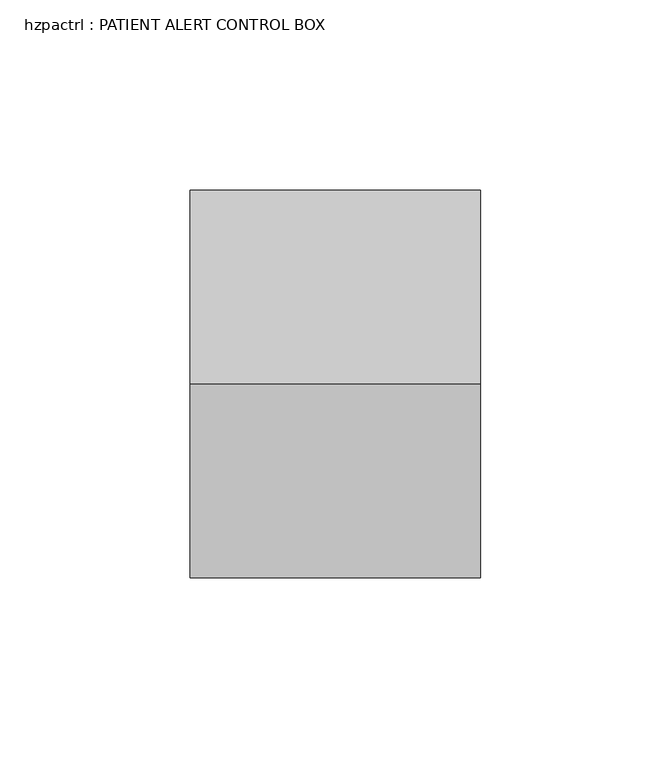
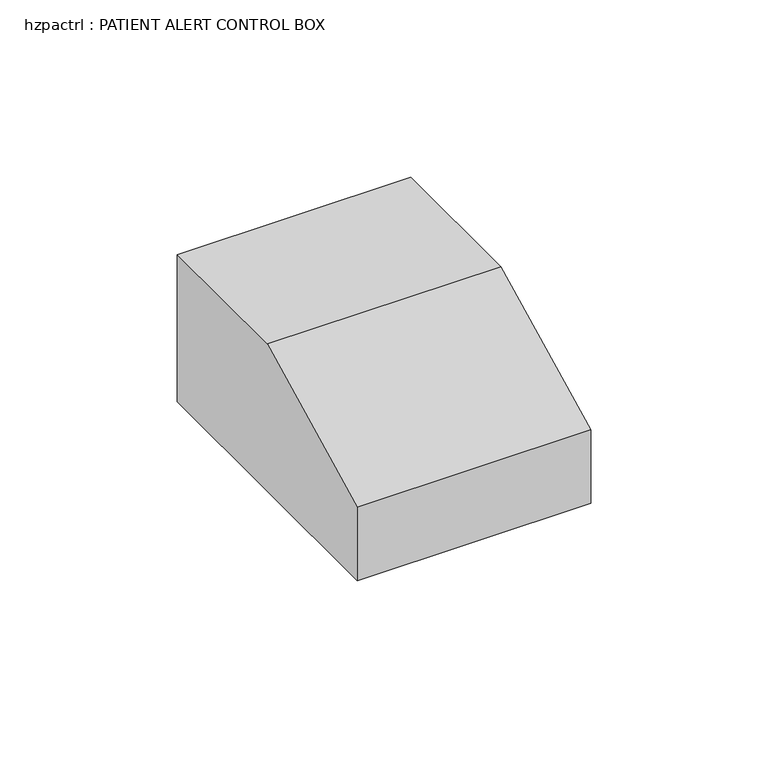
"""IFC4 building model written with IfcOpenShell, lengths in millimetres: proxy geometry, hzpactrl : PATIENT ALERT CONTROL BOX."""

from ifc_helpers import new_model, si_unit, frame, origin, place, context, project, spatial, polyline, outline, extrude, source, transform, mapped, element, save


def hzpactrl_patient_alert_control_box_93eab57d(model_context):
    return source(origin(), model_context, "Body", "SweptSolid", [
        extrude(outline(polyline([(-444.5097727, 800.1), (-546.1097727, 800.1), (-546.1097727, 825.5), (-495.3097727, 850.9), (-444.5097727, 850.9), (-444.5097727, 800.1)])), frame((50.8, 0.0, 0.0), z_axis=(1.0, 0.0, 0.0), x_axis=(0.0, 1.0, 0.0)), (0.0, 0.0, 1.0), 76.2),
    ])


if __name__ == "__main__":
    model = new_model("IFC4")
    model_context = context("Model", 3, world=origin())
    ifc_project = project(units=[si_unit("LENGTHUNIT", "METRE", prefix="MILLI")], contexts=[model_context])
    site = spatial("IfcSite", under=ifc_project)
    building = spatial("IfcBuilding", under=site)
    placement = place(None, origin())
    hzpactrl_patient_alert_control_box_shape = hzpactrl_patient_alert_control_box_93eab57d(model_context)
    element("IfcBuildingElementProxy", 1, Name="hzpactrl : PATIENT ALERT CONTROL BOX", ObjectType="hzpactrl : PATIENT ALERT CONTROL BOX", at=placement, inside=building, context=model_context, shape_type="MappedRepresentation", body=[
        mapped(hzpactrl_patient_alert_control_box_shape, transform((0.0, 0.0, 0.0), x_axis=(1.0, 0.0, 0.0), y_axis=(0.0, 1.0, 0.0), z_axis=(0.0, 0.0, 1.0))),
    ])
    save(model, "model.ifc")
